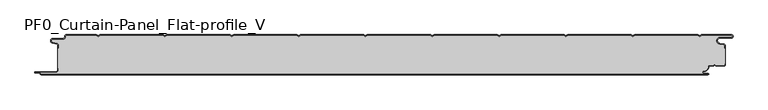
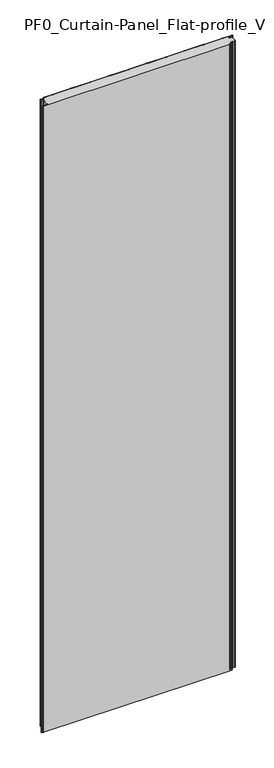
"""IFC4 building model written with IfcOpenShell, lengths in millimetres: plate geometry, PF0_Curtain-Panel_Flat-profile_V."""

import ifcopenshell
import ifcopenshell.guid

model = None  # the IFC model being written
_history = None  # IfcOwnerHistory: only IFC2X3 demands one
_inside = {}  # id of a spatial element -> (the spatial element, [elements in it])
_under = {}  # id of a project, library or spatial element -> (it, [spatial elements below it])
_declared = {}  # id of a project -> (the project, [libraries it declares])
_typed = {}  # id of a type object -> (the type object, [elements of that type])
_made_of = {}  # id of a material, layer set ... -> (it, [elements and type objects made of it])


def new_model(schema):
    """Start an empty IFC model of exactly this schema.

    Asked for "IFC4X3", IfcOpenShell would pick the latest addendum, in which some entities
    have other attributes; the version numbers below select the first issue.
    IFC2X3 requires an IfcOwnerHistory on every rooted entity: one is made here for all.
    """
    global model, _history
    if schema == "IFC4X3":
        model = ifcopenshell.file(schema_version=(4, 3, 0, 0))
    else:
        model = ifcopenshell.file(schema=schema)
    _inside.clear()
    _under.clear()
    _declared.clear()
    _typed.clear()
    _made_of.clear()
    _history = None
    if model.schema == "IFC2X3":
        org = make("IfcOrganization", Name="unknown")
        user = make(
            "IfcPersonAndOrganization",
            ThePerson=make("IfcPerson", FamilyName="unknown"),
            TheOrganization=org,
        )
        app = make(
            "IfcApplication",
            ApplicationDeveloper=org,
            Version="unknown",
            ApplicationFullName="unknown",
            ApplicationIdentifier="unknown",
        )
        _history = make(
            "IfcOwnerHistory",
            OwningUser=user,
            OwningApplication=app,
            ChangeAction="ADDED",
            CreationDate=0,
        )
    return model


def make(cls, **values):
    """One entity of the class cls with the attributes given. An attribute that is None is left unset."""
    return model.create_entity(
        cls, **{name: value for name, value in values.items() if value is not None}
    )


def rooted(cls, **values):
    """An entity with a GlobalId (a new one), such as an element, a storey or a relation."""
    return make(cls, GlobalId=ifcopenshell.guid.new(), OwnerHistory=_history, **values)


def si_unit(unit_type, name, prefix=None):
    """IfcSIUnit, for example si_unit("LENGTHUNIT", "METRE", prefix="MILLI")."""
    return make("IfcSIUnit", UnitType=unit_type, Prefix=prefix, Name=name)


def assignment(units):
    """IfcUnitAssignment: the units of a project."""
    return None if units is None else make("IfcUnitAssignment", Units=units)


def point(xyz):
    """IfcCartesianPoint."""
    return None if xyz is None else make("IfcCartesianPoint", Coordinates=xyz)


def direction(xyz):
    """IfcDirection."""
    return None if xyz is None else make("IfcDirection", DirectionRatios=xyz)


def frame(location, z_axis=None, x_axis=None):
    """IfcAxis2Placement3D, a coordinate frame: its origin and axes. An axis left out is left unset."""
    return make(
        "IfcAxis2Placement3D",
        Location=point(location),
        Axis=direction(z_axis),
        RefDirection=direction(x_axis),
    )


def frame_2d(location, x_axis=None):
    """IfcAxis2Placement2D, a coordinate frame in the plane: its origin and x axis."""
    return make(
        "IfcAxis2Placement2D", Location=point(location), RefDirection=direction(x_axis)
    )


def origin():
    """The frame at (0, 0, 0) with its axes left unset."""
    return frame((0.0, 0.0, 0.0))


def origin_with_axes():
    """The frame at (0, 0, 0) with the z axis (0, 0, 1) and the x axis (1, 0, 0) written out."""
    return frame((0.0, 0.0, 0.0), z_axis=(0.0, 0.0, 1.0), x_axis=(1.0, 0.0, 0.0))


def place(relative_to, where):
    """IfcLocalPlacement: puts the frame where relative to a parent placement (None: the world)."""
    return make(
        "IfcLocalPlacement", PlacementRelTo=relative_to, RelativePlacement=where
    )


def context(
    kind, dimensions, precision=None, world=None, true_north=None, identifier=None
):
    """IfcGeometricRepresentationContext, for example the 3D "Model" context."""
    return make(
        "IfcGeometricRepresentationContext",
        ContextIdentifier=identifier,
        ContextType=kind,
        CoordinateSpaceDimension=dimensions,
        Precision=precision,
        WorldCoordinateSystem=world,
        TrueNorth=true_north,
    )


def project(units=None, contexts=None):
    """IfcProject with its units and contexts."""
    return rooted(
        "IfcProject",
        Name="project",
        RepresentationContexts=contexts,
        UnitsInContext=assignment(units),
    )


def spatial(cls, under=None, at=None, **own):
    """A site, building, storey or space (cls), placed at a placement, below another one or the project."""
    s = rooted(cls, ObjectPlacement=at, **own)
    if under is not None:
        _under.setdefault(under.id(), (under, []))[1].append(s)
    return s


def polyline(points):
    """IfcPolyline through the points."""
    return make("IfcPolyline", Points=[point(p) for p in points])


def circle_curve(where, radius):
    """IfcCircle in the frame where."""
    return make("IfcCircle", Position=where, Radius=radius)


def trimmed(basis, trim1, trim2, sense, master):
    """IfcTrimmedCurve: the piece of a basis curve between two trims."""
    return make(
        "IfcTrimmedCurve",
        BasisCurve=basis,
        Trim1=trim1,
        Trim2=trim2,
        SenseAgreement=sense,
        MasterRepresentation=master,
    )


def segment(curve, same_sense, transition):
    """IfcCompositeCurveSegment."""
    return make(
        "IfcCompositeCurveSegment",
        Transition=transition,
        SameSense=same_sense,
        ParentCurve=curve,
    )


def composite_curve(segments, self_intersect=None):
    """IfcCompositeCurve: segments joined end to end."""
    return make("IfcCompositeCurve", Segments=segments, SelfIntersect=self_intersect)


def outline(outer, holes=None, kind="AREA"):
    """IfcArbitraryClosedProfileDef: a profile drawn as a closed curve; with holes, ...WithVoids."""
    if holes is None:
        return make("IfcArbitraryClosedProfileDef", ProfileType=kind, OuterCurve=outer)
    return make(
        "IfcArbitraryProfileDefWithVoids",
        ProfileType=kind,
        OuterCurve=outer,
        InnerCurves=holes,
    )


def extrude(swept, where, along, depth):
    """IfcExtrudedAreaSolid: the profile swept, set in the frame where, extruded along a direction by depth."""
    return make(
        "IfcExtrudedAreaSolid",
        SweptArea=swept,
        Position=where,
        ExtrudedDirection=direction(along),
        Depth=depth,
    )


def shape(context_of_items, identifier, shape_type, items):
    """IfcShapeRepresentation: the items that make up one representation, for example the "Body"."""
    return make(
        "IfcShapeRepresentation",
        ContextOfItems=context_of_items,
        RepresentationIdentifier=identifier,
        RepresentationType=shape_type,
        Items=items,
    )


def source(mapping_origin, context_of_items, identifier, shape_type, items):
    """IfcRepresentationMap: a shape defined once, which mapped items show again and again."""
    return make(
        "IfcRepresentationMap",
        MappingOrigin=mapping_origin,
        MappedRepresentation=shape(context_of_items, identifier, shape_type, items),
    )


def transform(
    local_origin,
    x_axis=None,
    y_axis=None,
    z_axis=None,
    scale=None,
    scale2=None,
    scale3=None,
    uniform=True,
):
    """IfcCartesianTransformationOperator3D, or its non-uniform kind. x_axis, y_axis, z_axis: its Axis1, 2, 3."""
    if uniform:
        return make(
            "IfcCartesianTransformationOperator3D",
            Axis1=direction(x_axis),
            Axis2=direction(y_axis),
            LocalOrigin=point(local_origin),
            Scale=scale,
            Axis3=direction(z_axis),
        )
    return make(
        "IfcCartesianTransformationOperator3DnonUniform",
        Axis1=direction(x_axis),
        Axis2=direction(y_axis),
        LocalOrigin=point(local_origin),
        Scale=scale,
        Axis3=direction(z_axis),
        Scale2=scale2,
        Scale3=scale3,
    )


def mapped(mapping_source, mapping_target):
    """IfcMappedItem: shows the shape of a source again, moved by a transform."""
    return make(
        "IfcMappedItem", MappingSource=mapping_source, MappingTarget=mapping_target
    )


def made_of(thing, what):
    """Note that an element or type object is made of a material, layer set ...; save() writes the relation."""
    if what is not None:
        _made_of.setdefault(what.id(), (what, []))[1].append(thing)
    return thing


def element(
    cls,
    number,
    at=None,
    inside=None,
    cuts=None,
    type_object=None,
    material=None,
    context=None,
    identifier="Body",
    shape_type=None,
    held_by="IfcProductDefinitionShape",
    body=None,
    shapes=None,
    **own,
):
    """One element of the class cls, such as IfcWall. Its Tag is "e" and its number.

    at: its placement. inside: the storey or other place that contains it. cuts: it is an
    opening in that element (IfcRelVoidsElement). A single representation is given by context,
    identifier, shape_type and body (its items); several are given by shapes. held_by: the class
    of the entity that holds the representations. save() writes the other relations.
    """
    e = rooted(cls, Tag="e%d" % number, ObjectPlacement=at, **own)
    if body is not None:
        shapes = [shape(context, identifier, shape_type, body)]
    if shapes is not None:
        e.Representation = make(held_by, Representations=shapes)
    if inside is not None:
        _inside.setdefault(inside.id(), (inside, []))[1].append(e)
    if cuts is not None:
        rooted(
            "IfcRelVoidsElement", RelatingBuildingElement=cuts, RelatedOpeningElement=e
        )
    if type_object is not None:
        _typed.setdefault(type_object.id(), (type_object, []))[1].append(e)
    return made_of(e, material)


def aggregate(whole, parts):
    """IfcRelAggregates: a whole, such as a stair, and the parts it consists of."""
    return rooted("IfcRelAggregates", RelatingObject=whole, RelatedObjects=parts)


def save(model, path):
    """Write the relations noted so far, then the file.

    IfcRelAggregates (storeys below a building ...), IfcRelContainedInSpatialStructure (elements
    in a storey), IfcRelDefinesByType, IfcRelAssociatesMaterial and IfcRelDeclares: one each for
    every whole, place, type object, material and project.
    """
    for whole, parts in _under.values():
        aggregate(whole, parts)
    for where, things in _inside.values():
        rooted(
            "IfcRelContainedInSpatialStructure",
            RelatedElements=things,
            RelatingStructure=where,
        )
    for kind, things in _typed.values():
        rooted("IfcRelDefinesByType", RelatedObjects=things, RelatingType=kind)
    for what, things in _made_of.values():
        rooted("IfcRelAssociatesMaterial", RelatedObjects=things, RelatingMaterial=what)
    for by, libraries in _declared.values():
        rooted("IfcRelDeclares", RelatingContext=by, RelatedDefinitions=libraries)
    model.write(path)


def plane_surface(at):
    """IfcPlane: the flat surface through the origin of the frame at, square to its z axis."""
    return make("IfcPlane", Position=at)


def cylinder_surface(at, radius):
    """IfcCylindricalSurface: all points at the distance radius from the z axis of the frame at."""
    return make("IfcCylindricalSurface", Position=at, Radius=radius)


def revolved_surface(curve, axis_point, axis_direction):
    """IfcSurfaceOfRevolution: the curve turned about the line through axis_point along axis_direction."""
    return make(
        "IfcSurfaceOfRevolution",
        SweptCurve=make("IfcArbitraryOpenProfileDef", ProfileType="CURVE", Curve=curve),
        AxisPosition=make("IfcAxis1Placement", Location=point(axis_point), Axis=direction(axis_direction)),
    )


def advanced_brep(points, edges, surfaces, faces):
    """IfcAdvancedBrep: a solid bounded by faces that lie on surfaces and meet in shared edges.

    An edge is (start, end): straight between two places in points (the first is 0);
    or (start, end, curve); or (start, end, curve, False) where it runs against its curve.
    A face is (place in surfaces, loops), or (place, loops, False) where it looks against
    its surface's normal. A loop lists edges by number (the first is 1), with a minus sign
    where the edge is run from its end to its start. The first loop is the outer one.
    """
    corners = [point(p) for p in points]
    vertices = [make("IfcVertexPoint", VertexGeometry=c) for c in corners]
    made = []
    for start, end, *more in edges:
        made.append(
            make(
                "IfcEdgeCurve",
                EdgeStart=vertices[start],
                EdgeEnd=vertices[end],
                EdgeGeometry=more[0] if more else make("IfcPolyline", Points=[corners[start], corners[end]]),
                SameSense=more[1] if len(more) > 1 else True,
            )
        )
    hull = []
    for where, loops, *sense in faces:
        bounds = []
        for j, loop in enumerate(loops):
            ring = [make("IfcOrientedEdge", EdgeElement=made[abs(k) - 1], Orientation=k > 0) for k in loop]
            bounds.append(
                make(
                    "IfcFaceOuterBound" if j == 0 else "IfcFaceBound",
                    Bound=make("IfcEdgeLoop", EdgeList=ring),
                    Orientation=True,
                )
            )
        hull.append(make("IfcAdvancedFace", Bounds=bounds, FaceSurface=surfaces[where], SameSense=sense[0] if sense else True))
    return make("IfcAdvancedBrep", Outer=make("IfcClosedShell", CfsFaces=hull))


def pf0_curtain_panel_flat_profile_v_7ea832ad(model_context):
    return source(origin(), model_context, "Body", "SolidModel", [
        advanced_brep(
        [(-500.0, -15.878557, 3500.0), (-500.0, -20.0, 3500.0), (-499.2, -20.0, 3500.0), (-499.2, -15.878557, 3500.0), (-501.370137, -13.1503208, 3500.0), (-507.529863, -11.728236, 3500.0), (-506.9, -6.2, 3500.0), (-491.4, -6.2, 3500.0), (-488.6, -3.4, 3500.0), (-488.6, -2.0, 3500.0), (-487.4, -0.8, 3500.0), (-442.3143588, -0.8, 3500.0), (-439.4, -2.482606, 3500.0), (-436.4856412, -0.8, 3500.0), (-342.3143588, -0.8, 3500.0), (-339.4, -2.482606, 3500.0), (-336.4856412, -0.8, 3500.0), (-242.3143588, -0.8, 3500.0), (-239.4, -2.482606, 3500.0), (-236.4856412, -0.8, 3500.0), (-142.3143588, -0.8, 3500.0), (-139.4, -2.482606, 3500.0), (-136.4856412, -0.8, 3500.0), (-42.3143588, -0.8, 3500.0), (-39.4, -2.482606, 3500.0), (-36.4856412, -0.8, 3500.0), (57.6856412, -0.8, 3500.0), (60.6, -2.482606, 3500.0), (63.5143588, -0.8, 3500.0), (157.6856412, -0.8, 3500.0), (160.6, -2.482606, 3500.0), (163.5143588, -0.8, 3500.0), (257.6856412, -0.8, 3500.0), (260.6, -2.482606, 3500.0), (263.5143588, -0.8, 3500.0), (357.6856412, -0.8, 3500.0), (360.6, -2.482606, 3500.0), (363.5143588, -0.8, 3500.0), (457.6856412, -0.8, 3500.0), (460.6, -2.482606, 3500.0), (463.5143588, -0.8, 3500.0), (508.1, -0.8, 3500.0), (508.1, -4.2, 3500.0), (491.1, -4.2, 3500.0), (490.2664884, -13.7270771, 3500.0), (496.7125669, -14.8636953, 3500.0), (498.2, -16.6363492, 3500.0), (498.2, -20.0, 3500.0), (499.0, -20.0, 3500.0), (499.0, -16.6363492, 3500.0), (496.8514855, -14.0758491, 3500.0), (490.405407, -12.939231, 3500.0), (491.1, -5.0, 3500.0), (508.1, -5.0, 3500.0), (510.6, -2.5, 3500.0), (508.1, 0.0, 3500.0), (463.2999995, 0.0, 3500.0), (460.6, -1.5588455, 3500.0), (457.9000005, 0.0, 3500.0), (363.2999995, 0.0, 3500.0), (360.6, -1.5588455, 3500.0), (357.9000005, 0.0, 3500.0), (263.2999995, 0.0, 3500.0), (260.6, -1.5588455, 3500.0), (257.9000005, 0.0, 3500.0), (163.2999995, 0.0, 3500.0), (160.6, -1.5588455, 3500.0), (157.9000005, 0.0, 3500.0), (63.2999995, 0.0, 3500.0), (60.6, -1.5588455, 3500.0), (57.9000005, 0.0, 3500.0), (-36.7000005, 0.0, 3500.0), (-39.4, -1.5588455, 3500.0), (-42.0999995, 0.0, 3500.0), (-136.7000005, 0.0, 3500.0), (-139.4, -1.5588455, 3500.0), (-142.0999995, 0.0, 3500.0), (-236.7000005, 0.0, 3500.0), (-239.4, -1.5588455, 3500.0), (-242.0999995, 0.0, 3500.0), (-336.7000005, 0.0, 3500.0), (-339.4, -1.5588455, 3500.0), (-342.0999995, 0.0, 3500.0), (-436.7000005, 0.0, 3500.0), (-439.4, -1.5588455, 3500.0), (-442.0999995, 0.0, 3500.0), (-487.4, 0.0, 3500.0), (-489.4, -2.0, 3500.0), (-489.4, -3.4, 3500.0), (-491.4, -5.4, 3500.0), (-506.9, -5.4, 3500.0), (-507.7098239, -12.5077322, 3500.0), (-501.5500979, -13.929817, 3500.0), (-500.0, -15.878557, 0.0), (-501.5500978, -13.9298169, 0.0), (-507.7098239, -12.507732, 0.0), (-506.9, -5.4, 0.0), (-491.4, -5.4, 0.0), (-489.4, -3.4, 0.0), (-489.4, -2.0, 0.0), (-487.4, 0.0, 0.0), (-442.0999995, 0.0, 0.0), (-439.4, -1.5588455, 0.0), (-436.7000005, 0.0, 0.0), (-342.0999995, 0.0, 0.0), (-339.4, -1.5588455, 0.0), (-336.7000005, 0.0, 0.0), (-242.0999995, 0.0, 0.0), (-239.4, -1.5588455, 0.0), (-236.7000005, 0.0, 0.0), (-142.0999995, 0.0, 0.0), (-139.4, -1.5588455, 0.0), (-136.7000005, 0.0, 0.0), (-42.0999995, 0.0, 0.0), (-39.4, -1.5588455, 0.0), (-36.7000005, 0.0, 0.0), (57.9000005, 0.0, 0.0), (60.6, -1.5588455, 0.0), (63.2999995, 0.0, 0.0), (157.9000005, 0.0, 0.0), (160.6, -1.5588455, 0.0), (163.2999995, 0.0, 0.0), (257.9000005, 0.0, 0.0), (260.6, -1.5588455, 0.0), (263.2999995, 0.0, 0.0), (357.9000005, 0.0, 0.0), (360.6, -1.5588455, 0.0), (363.2999995, 0.0, 0.0), (457.9000005, 0.0, 0.0), (460.6, -1.5588455, 0.0), (463.2999995, 0.0, 0.0), (508.1, 0.0, 0.0), (510.6, -2.5, 0.0), (508.1, -5.0, 0.0), (491.1, -5.0, 0.0), (490.405407, -12.939231, 0.0), (496.8514855, -14.0758491, 0.0), (499.0, -16.6363492, 0.0), (499.0, -20.0, 0.0), (498.2, -20.0, 0.0), (498.2, -16.6363492, 0.0), (496.7125669, -14.8636953, 0.0), (490.2664884, -13.7270772, 0.0), (491.1, -4.2, 0.0), (508.1, -4.2, 0.0), (508.1, -0.8, 0.0), (463.5143588, -0.8, 0.0), (460.6, -2.482606, 0.0), (457.6856412, -0.8, 0.0), (363.5143588, -0.8, 0.0), (360.6, -2.482606, 0.0), (357.6856412, -0.8, 0.0), (263.5143588, -0.8, 0.0), (260.6, -2.482606, 0.0), (257.6856412, -0.8, 0.0), (163.5143588, -0.8, 0.0), (160.6, -2.482606, 0.0), (157.6856412, -0.8, 0.0), (63.5143588, -0.8, 0.0), (60.6, -2.482606, 0.0), (57.6856412, -0.8, 0.0), (-36.4856412, -0.8, 0.0), (-39.4, -2.482606, 0.0), (-42.3143588, -0.8, 0.0), (-136.4856412, -0.8, 0.0), (-139.4, -2.482606, 0.0), (-142.3143588, -0.8, 0.0), (-236.4856412, -0.8, 0.0), (-239.4, -2.482606, 0.0), (-242.3143588, -0.8, 0.0), (-336.4856412, -0.8, 0.0), (-339.4, -2.482606, 0.0), (-342.3143588, -0.8, 0.0), (-436.4856412, -0.8, 0.0), (-439.4, -2.482606, 0.0), (-442.3143588, -0.8, 0.0), (-487.4, -0.8, 0.0), (-488.6, -2.0, 0.0), (-488.6, -3.4, 0.0), (-491.4, -6.2, 0.0), (-506.9, -6.2, 0.0), (-507.529863, -11.7282362, 0.0), (-501.370137, -13.150321, 0.0), (-499.2, -15.878557, 0.0), (-499.2, -20.0, 0.0), (-500.0, -20.0, 0.0)],
        [
            (0, 1),
            (1, 2),
            (2, 3),
            (3, 4, circle_curve(frame((-502.0, -15.878557, 3500.0), z_axis=(0.0, 0.0, 1.0), x_axis=(1.0, 0.0, 0.0)), 2.8)),
            (4, 5),
            (5, 6, circle_curve(frame((-506.9, -9.0, 3500.0), z_axis=(0.0, 0.0, -1.0), x_axis=(1.0, 0.0, 0.0)), 2.8)),
            (6, 7),
            (7, 8, circle_curve(frame((-491.4, -3.4, 3500.0), z_axis=(0.0, 0.0, 1.0), x_axis=(1.0, 0.0, 0.0)), 2.8)),
            (8, 9),
            (9, 10, circle_curve(frame((-487.4, -2.0, 3500.0), z_axis=(0.0, 0.0, -1.0), x_axis=(1.0, 0.0, 0.0)), 1.2)),
            (10, 11),
            (11, 12),
            (12, 13),
            (13, 14),
            (14, 15),
            (15, 16),
            (16, 17),
            (17, 18),
            (18, 19),
            (19, 20),
            (20, 21),
            (21, 22),
            (22, 23),
            (23, 24),
            (24, 25),
            (25, 26),
            (26, 27),
            (27, 28),
            (28, 29),
            (29, 30),
            (30, 31),
            (31, 32),
            (32, 33),
            (33, 34),
            (34, 35),
            (35, 36),
            (36, 37),
            (37, 38),
            (38, 39),
            (39, 40),
            (40, 41),
            (41, 42, circle_curve(frame((508.1, -2.5, 3500.0), z_axis=(0.0, 0.0, -1.0), x_axis=(1.0, 0.0, 0.0)), 1.7)),
            (42, 43),
            (43, 44, circle_curve(frame((491.1, -9.0, 3500.0), z_axis=(0.0, 0.0, 1.0), x_axis=(1.0, 0.0, 0.0)), 4.8)),
            (44, 45),
            (45, 46, circle_curve(frame((496.4, -16.6363492, 3500.0), z_axis=(0.0, 0.0, -1.0), x_axis=(1.0, 0.0, 0.0)), 1.8)),
            (46, 47),
            (47, 48),
            (48, 49),
            (49, 50, circle_curve(frame((496.4, -16.6363492, 3500.0), z_axis=(0.0, 0.0, 1.0), x_axis=(1.0, 0.0, 0.0)), 2.6)),
            (50, 51),
            (51, 52, circle_curve(frame((491.1, -9.0, 3500.0), z_axis=(0.0, 0.0, -1.0), x_axis=(1.0, 0.0, 0.0)), 4.0)),
            (52, 53),
            (53, 54, circle_curve(frame((508.1, -2.5, 3500.0), z_axis=(0.0, 0.0, 1.0), x_axis=(1.0, 0.0, 0.0)), 2.5)),
            (54, 55, circle_curve(frame((508.1, -2.5, 3500.0), z_axis=(0.0, 0.0, 1.0), x_axis=(1.0, 0.0, 0.0)), 2.5)),
            (55, 56),
            (56, 57),
            (57, 58),
            (58, 59),
            (59, 60),
            (60, 61),
            (61, 62),
            (62, 63),
            (63, 64),
            (64, 65),
            (65, 66),
            (66, 67),
            (67, 68),
            (68, 69),
            (69, 70),
            (70, 71),
            (71, 72),
            (72, 73),
            (73, 74),
            (74, 75),
            (75, 76),
            (76, 77),
            (77, 78),
            (78, 79),
            (79, 80),
            (80, 81),
            (81, 82),
            (82, 83),
            (83, 84),
            (84, 85),
            (85, 86),
            (86, 87, circle_curve(frame((-487.4, -2.0, 3500.0), z_axis=(0.0, 0.0, 1.0), x_axis=(1.0, 0.0, 0.0)), 2.0)),
            (87, 88),
            (88, 89, circle_curve(frame((-491.4, -3.4, 3500.0), z_axis=(0.0, 0.0, -1.0), x_axis=(1.0, 0.0, 0.0)), 2.0)),
            (89, 90),
            (90, 91, circle_curve(frame((-506.9, -9.0, 3500.0), z_axis=(0.0, 0.0, 1.0), x_axis=(1.0, 0.0, 0.0)), 3.6)),
            (91, 92),
            (92, 0, circle_curve(frame((-502.0, -15.878557, 3500.0), z_axis=(0.0, 0.0, -1.0), x_axis=(1.0, 0.0, 0.0)), 2.0)),
            (93, 94, circle_curve(frame((-502.0, -15.878557, 0.0), z_axis=(0.0, 0.0, 1.0), x_axis=(1.0, 0.0, 0.0)), 2.0)),
            (94, 95),
            (95, 96, circle_curve(frame((-506.9, -9.0, 0.0), z_axis=(0.0, 0.0, -1.0), x_axis=(1.0, 0.0, 0.0)), 3.6)),
            (96, 97),
            (97, 98, circle_curve(frame((-491.4, -3.4, 0.0), z_axis=(0.0, 0.0, 1.0), x_axis=(1.0, 0.0, 0.0)), 2.0)),
            (98, 99),
            (99, 100, circle_curve(frame((-487.4, -2.0, 0.0), z_axis=(0.0, 0.0, -1.0), x_axis=(1.0, 0.0, 0.0)), 2.0)),
            (100, 101),
            (101, 102),
            (102, 103),
            (103, 104),
            (104, 105),
            (105, 106),
            (106, 107),
            (107, 108),
            (108, 109),
            (109, 110),
            (110, 111),
            (111, 112),
            (112, 113),
            (113, 114),
            (114, 115),
            (115, 116),
            (116, 117),
            (117, 118),
            (118, 119),
            (119, 120),
            (120, 121),
            (121, 122),
            (122, 123),
            (123, 124),
            (124, 125),
            (125, 126),
            (126, 127),
            (127, 128),
            (128, 129),
            (129, 130),
            (130, 131),
            (131, 132, circle_curve(frame((508.1, -2.5, 0.0), z_axis=(0.0, 0.0, -1.0), x_axis=(1.0, 0.0, 0.0)), 2.5)),
            (132, 133, circle_curve(frame((508.1, -2.5, 0.0), z_axis=(0.0, 0.0, -1.0), x_axis=(1.0, 0.0, 0.0)), 2.5)),
            (133, 134),
            (134, 135, circle_curve(frame((491.1, -9.0, 0.0), z_axis=(0.0, 0.0, 1.0), x_axis=(1.0, 0.0, 0.0)), 4.0)),
            (135, 136),
            (136, 137, circle_curve(frame((496.4, -16.6363492, 0.0), z_axis=(0.0, 0.0, -1.0), x_axis=(1.0, 0.0, 0.0)), 2.6)),
            (137, 138),
            (138, 139),
            (139, 140),
            (140, 141, circle_curve(frame((496.4, -16.6363492, 0.0), z_axis=(0.0, 0.0, 1.0), x_axis=(1.0, 0.0, 0.0)), 1.8)),
            (141, 142),
            (142, 143, circle_curve(frame((491.1, -9.0, 0.0), z_axis=(0.0, 0.0, -1.0), x_axis=(1.0, 0.0, 0.0)), 4.8)),
            (143, 144),
            (144, 145, circle_curve(frame((508.1, -2.5, 0.0), z_axis=(0.0, 0.0, 1.0), x_axis=(1.0, 0.0, 0.0)), 1.7)),
            (145, 146),
            (146, 147),
            (147, 148),
            (148, 149),
            (149, 150),
            (150, 151),
            (151, 152),
            (152, 153),
            (153, 154),
            (154, 155),
            (155, 156),
            (156, 157),
            (157, 158),
            (158, 159),
            (159, 160),
            (160, 161),
            (161, 162),
            (162, 163),
            (163, 164),
            (164, 165),
            (165, 166),
            (166, 167),
            (167, 168),
            (168, 169),
            (169, 170),
            (170, 171),
            (171, 172),
            (172, 173),
            (173, 174),
            (174, 175),
            (175, 176),
            (176, 177, circle_curve(frame((-487.4, -2.0, 0.0), z_axis=(0.0, 0.0, 1.0), x_axis=(1.0, 0.0, 0.0)), 1.2)),
            (177, 178),
            (178, 179, circle_curve(frame((-491.4, -3.4, 0.0), z_axis=(0.0, 0.0, -1.0), x_axis=(1.0, 0.0, 0.0)), 2.8)),
            (179, 180),
            (180, 181, circle_curve(frame((-506.9, -9.0, 0.0), z_axis=(0.0, 0.0, 1.0), x_axis=(1.0, 0.0, 0.0)), 2.8)),
            (181, 182),
            (182, 183, circle_curve(frame((-502.0, -15.878557, 0.0), z_axis=(0.0, 0.0, -1.0), x_axis=(1.0, 0.0, 0.0)), 2.8)),
            (183, 184),
            (184, 185),
            (185, 93),
            (0, 93),
            (185, 1),
            (184, 2),
            (183, 3),
            (182, 4),
            (181, 5),
            (180, 6),
            (179, 7),
            (178, 8),
            (177, 9),
            (176, 10),
            (175, 11),
            (174, 12),
            (173, 13),
            (172, 14),
            (171, 15),
            (170, 16),
            (169, 17),
            (168, 18),
            (167, 19),
            (166, 20),
            (165, 21),
            (164, 22),
            (163, 23),
            (162, 24),
            (161, 25),
            (160, 26),
            (159, 27),
            (158, 28),
            (157, 29),
            (156, 30),
            (155, 31),
            (154, 32),
            (153, 33),
            (152, 34),
            (151, 35),
            (150, 36),
            (149, 37),
            (148, 38),
            (147, 39),
            (146, 40),
            (145, 41),
            (144, 42),
            (143, 43),
            (142, 44),
            (141, 45),
            (140, 46),
            (139, 47),
            (138, 48),
            (137, 49),
            (136, 50),
            (135, 51),
            (134, 52),
            (133, 53),
            (131, 55),
            (56, 130),
            (129, 57),
            (128, 58),
            (127, 59),
            (126, 60),
            (125, 61),
            (124, 62),
            (123, 63),
            (122, 64),
            (121, 65),
            (120, 66),
            (119, 67),
            (118, 68),
            (117, 69),
            (116, 70),
            (115, 71),
            (114, 72),
            (113, 73),
            (112, 74),
            (111, 75),
            (110, 76),
            (109, 77),
            (108, 78),
            (107, 79),
            (106, 80),
            (105, 81),
            (104, 82),
            (103, 83),
            (102, 84),
            (101, 85),
            (100, 86),
            (99, 87),
            (98, 88),
            (97, 89),
            (96, 90),
            (95, 91),
            (94, 92),
        ],
        [
            plane_surface(frame((-500.0, 0.0, 3500.0), z_axis=(0.0, 0.0, 1.0), x_axis=(0.0, 1.0, 0.0))),
            plane_surface(frame((-500.0, 0.0, 0.0), z_axis=(0.0, 0.0, -1.0), x_axis=(0.0, 1.0, 0.0))),
            plane_surface(frame((-500.0, -15.878557, 3500.0), z_axis=(-1.0, 0.0, 0.0), x_axis=(0.0, 0.0, -1.0))),
            plane_surface(frame((-500.0, -20.0, 3500.0), z_axis=(0.0, -1.0, 0.0), x_axis=(0.0, 0.0, -1.0))),
            plane_surface(frame((-499.2, -20.0, 3500.0), z_axis=(1.0, 0.0, 0.0), x_axis=(0.0, 0.0, -1.0))),
            cylinder_surface(frame((-502.0, -15.878557, 3500.0), z_axis=(0.0, 0.0, 1.0), x_axis=(1.0, 0.0, 0.0)), 2.8),
            plane_surface(frame((-501.370137, -13.150321, 3500.0), z_axis=(0.22495108446242484, 0.9743700578318174, 0.0), x_axis=(0.0, 0.0, -1.0))),
            revolved_surface(polyline([(-504.09999999999997, -9.0, 0.0), (-504.09999999999997, -9.0, 3500.0)]), (-506.9, -9.0, 3500.0), (0.0, 0.0, -1.0)),
            plane_surface(frame((-506.9, -6.2, 3500.0), z_axis=(0.0, -1.0, 0.0), x_axis=(0.0, 0.0, -1.0))),
            cylinder_surface(frame((-491.4, -3.4, 3500.0), z_axis=(0.0, 0.0, 1.0), x_axis=(1.0, 0.0, 0.0)), 2.8),
            plane_surface(frame((-488.6, -3.4, 3500.0), z_axis=(1.0, 0.0, 0.0), x_axis=(0.0, 0.0, -1.0))),
            revolved_surface(polyline([(-486.2, -2.0, 0.0), (-486.2, -2.0, 3500.0)]), (-487.4, -2.0, 3500.0), (0.0, 0.0, -1.0)),
            plane_surface(frame((-487.4, -0.8, 3500.0), z_axis=(0.0, -1.0, 0.0), x_axis=(0.0, 0.0, -1.0))),
            plane_surface(frame((-442.3143588, -0.8, 3500.0), z_axis=(-0.5000000299313342, -0.8660253865035741, 0.0), x_axis=(0.0, 0.0, -1.0))),
            plane_surface(frame((-439.4, -2.482606, 3500.0), z_axis=(0.5000000299313233, -0.8660253865035805, 0.0), x_axis=(0.0, 0.0, -1.0))),
            plane_surface(frame((-436.4856412, -0.8, 3500.0), z_axis=(0.0, -1.0, 0.0), x_axis=(0.0, 0.0, -1.0))),
            plane_surface(frame((-342.3143588, -0.8, 3500.0), z_axis=(-0.5000000299313346, -0.8660253865035739, 0.0), x_axis=(0.0, 0.0, -1.0))),
            plane_surface(frame((-339.4, -2.482606, 3500.0), z_axis=(0.5000000299313251, -0.8660253865035794, 0.0), x_axis=(0.0, 0.0, -1.0))),
            plane_surface(frame((-336.4856412, -0.8, 3500.0), z_axis=(0.0, -1.0, 0.0), x_axis=(0.0, 0.0, -1.0))),
            plane_surface(frame((-242.3143588, -0.8, 3500.0), z_axis=(-0.5000000299313346, -0.866025386503574, 0.0), x_axis=(0.0, 0.0, -1.0))),
            plane_surface(frame((-239.4, -2.482606, 3500.0), z_axis=(0.5000000299313251, -0.8660253865035794, 0.0), x_axis=(0.0, 0.0, -1.0))),
            plane_surface(frame((-236.4856412, -0.8, 3500.0), z_axis=(0.0, -1.0, 0.0), x_axis=(0.0, 0.0, -1.0))),
            plane_surface(frame((-142.3143588, -0.8, 3500.0), z_axis=(-0.5000000299313349, -0.8660253865035739, 0.0), x_axis=(0.0, 0.0, -1.0))),
            plane_surface(frame((-139.4, -2.482606, 3500.0), z_axis=(0.5000000299313233, -0.8660253865035805, 0.0), x_axis=(0.0, 0.0, -1.0))),
            plane_surface(frame((-136.4856412, -0.8, 3500.0), z_axis=(0.0, -1.0, 0.0), x_axis=(0.0, 0.0, -1.0))),
            plane_surface(frame((-42.3143588, -0.8, 3500.0), z_axis=(-0.5000000299313346, -0.866025386503574, 0.0), x_axis=(0.0, 0.0, -1.0))),
            plane_surface(frame((-39.4, -2.482606, 3500.0), z_axis=(0.5000000299313239, -0.8660253865035802, 0.0), x_axis=(0.0, 0.0, -1.0))),
            plane_surface(frame((-36.4856412, -0.8, 3500.0), z_axis=(0.0, -1.0, 0.0), x_axis=(0.0, 0.0, -1.0))),
            plane_surface(frame((57.6856412, -0.8, 3500.0), z_axis=(-0.5000000299313347, -0.8660253865035739, 0.0), x_axis=(0.0, 0.0, -1.0))),
            plane_surface(frame((60.6, -2.482606, 3500.0), z_axis=(0.5000000299313232, -0.8660253865035805, 0.0), x_axis=(0.0, 0.0, -1.0))),
            plane_surface(frame((63.5143588, -0.8, 3500.0), z_axis=(0.0, -1.0, 0.0), x_axis=(0.0, 0.0, -1.0))),
            plane_surface(frame((157.6856412, -0.8, 3500.0), z_axis=(-0.5000000299313346, -0.866025386503574, 0.0), x_axis=(0.0, 0.0, -1.0))),
            plane_surface(frame((160.6, -2.482606, 3500.0), z_axis=(0.5000000299313262, -0.8660253865035787, 0.0), x_axis=(0.0, 0.0, -1.0))),
            plane_surface(frame((163.5143588, -0.8, 3500.0), z_axis=(0.0, -1.0, 0.0), x_axis=(0.0, 0.0, -1.0))),
            plane_surface(frame((257.6856412, -0.8, 3500.0), z_axis=(-0.5000000299313346, -0.8660253865035739, 0.0), x_axis=(0.0, 0.0, -1.0))),
            plane_surface(frame((260.6, -2.482606, 3500.0), z_axis=(0.5000000299313263, -0.8660253865035787, 0.0), x_axis=(0.0, 0.0, -1.0))),
            plane_surface(frame((263.5143588, -0.8, 3500.0), z_axis=(0.0, -1.0, 0.0), x_axis=(0.0, 0.0, -1.0))),
            plane_surface(frame((357.6856412, -0.8, 3500.0), z_axis=(-0.5000000299313346, -0.8660253865035739, 0.0), x_axis=(0.0, 0.0, -1.0))),
            plane_surface(frame((360.6, -2.482606, 3500.0), z_axis=(0.5000000299313255, -0.8660253865035792, 0.0), x_axis=(0.0, 0.0, -1.0))),
            plane_surface(frame((363.5143588, -0.8, 3500.0), z_axis=(0.0, -1.0, 0.0), x_axis=(0.0, 0.0, -1.0))),
            plane_surface(frame((457.6856412, -0.8, 3500.0), z_axis=(-0.5000000299313347, -0.8660253865035739, 0.0), x_axis=(0.0, 0.0, -1.0))),
            plane_surface(frame((460.6, -2.482606, 3500.0), z_axis=(0.5000000299313263, -0.8660253865035787, 0.0), x_axis=(0.0, 0.0, -1.0))),
            plane_surface(frame((463.5143588, -0.8, 3500.0), z_axis=(0.0, -1.0, 0.0), x_axis=(0.0, 0.0, -1.0))),
            revolved_surface(polyline([(509.8, -2.5, 0.0), (509.8, -2.5, 3500.0)]), (508.1, -2.5, 3500.0), (0.0, 0.0, -1.0)),
            plane_surface(frame((508.1, -4.2, 3500.0), z_axis=(0.0, 1.0, 0.0), x_axis=(0.0, 0.0, -1.0))),
            cylinder_surface(frame((491.1, -9.0, 3500.0), z_axis=(0.0, 0.0, 1.0), x_axis=(1.0, 0.0, 0.0)), 4.8),
            plane_surface(frame((490.2664884, -13.7270772, 3500.0), z_axis=(-0.17364825602592485, -0.9848077391954, 0.0), x_axis=(0.0, 0.0, -1.0))),
            revolved_surface(polyline([(498.2, -16.6363492, 0.0), (498.2, -16.6363492, 3500.0)]), (496.4, -16.6363492, 3500.0), (0.0, 0.0, -1.0)),
            plane_surface(frame((498.2, -16.6363492, 3500.0), z_axis=(-1.0, 0.0, 0.0), x_axis=(0.0, 0.0, -1.0))),
            plane_surface(frame((498.2, -20.0, 3500.0), z_axis=(0.0, -1.0, 0.0), x_axis=(0.0, 0.0, -1.0))),
            plane_surface(frame((499.0, -20.0, 3500.0), z_axis=(1.0, 0.0, 0.0), x_axis=(0.0, 0.0, -1.0))),
            cylinder_surface(frame((496.4, -16.6363492, 3500.0), z_axis=(0.0, 0.0, 1.0), x_axis=(1.0, 0.0, 0.0)), 2.6),
            plane_surface(frame((496.8514855, -14.0758491, 3500.0), z_axis=(0.1736482560259256, 0.9848077391953998, 0.0), x_axis=(0.0, 0.0, -1.0))),
            revolved_surface(polyline([(495.1, -9.0, 0.0), (495.1, -9.0, 3500.0)]), (491.1, -9.0, 3500.0), (0.0, 0.0, -1.0)),
            plane_surface(frame((491.1, -5.0, 3500.0), z_axis=(0.0, -1.0, 0.0), x_axis=(0.0, 0.0, -1.0))),
            cylinder_surface(frame((508.1, -2.5, 3500.0), z_axis=(0.0, 0.0, 1.0), x_axis=(1.0, 0.0, 0.0)), 2.5),
            plane_surface(frame((463.2999995, 0.0, 3500.0), z_axis=(-0.5000000299313235, 0.8660253865035803, 0.0), x_axis=(0.0, 0.0, -1.0))),
            plane_surface(frame((460.6, -1.5588455, 3500.0), z_axis=(0.5000000299313346, 0.8660253865035739, 0.0), x_axis=(0.0, 0.0, -1.0))),
            plane_surface(frame((457.9000005, 0.0, 3500.0), z_axis=(0.0, 1.0, 0.0), x_axis=(0.0, 0.0, -1.0))),
            plane_surface(frame((363.2999995, 0.0, 3500.0), z_axis=(-0.5000000299313235, 0.8660253865035803, 0.0), x_axis=(0.0, 0.0, -1.0))),
            plane_surface(frame((360.6, -1.5588455, 3500.0), z_axis=(0.5000000299313346, 0.8660253865035739, 0.0), x_axis=(0.0, 0.0, -1.0))),
            plane_surface(frame((357.9000005, 0.0, 3500.0), z_axis=(0.0, 1.0, 0.0), x_axis=(0.0, 0.0, -1.0))),
            plane_surface(frame((263.2999995, 0.0, 3500.0), z_axis=(-0.5000000299313235, 0.8660253865035803, 0.0), x_axis=(0.0, 0.0, -1.0))),
            plane_surface(frame((260.6, -1.5588455, 3500.0), z_axis=(0.5000000299313346, 0.8660253865035739, 0.0), x_axis=(0.0, 0.0, -1.0))),
            plane_surface(frame((257.9000005, 0.0, 3500.0), z_axis=(0.0, 1.0, 0.0), x_axis=(0.0, 0.0, -1.0))),
            plane_surface(frame((163.2999995, 0.0, 3500.0), z_axis=(-0.5000000299313235, 0.8660253865035803, 0.0), x_axis=(0.0, 0.0, -1.0))),
            plane_surface(frame((160.6, -1.5588455, 3500.0), z_axis=(0.5000000299313346, 0.8660253865035739, 0.0), x_axis=(0.0, 0.0, -1.0))),
            plane_surface(frame((157.9000005, 0.0, 3500.0), z_axis=(0.0, 1.0, 0.0), x_axis=(0.0, 0.0, -1.0))),
            plane_surface(frame((63.2999995, 0.0, 3500.0), z_axis=(-0.5000000299313235, 0.8660253865035803, 0.0), x_axis=(0.0, 0.0, -1.0))),
            plane_surface(frame((60.6, -1.5588455, 3500.0), z_axis=(0.5000000299313346, 0.8660253865035739, 0.0), x_axis=(0.0, 0.0, -1.0))),
            plane_surface(frame((57.9000005, 0.0, 3500.0), z_axis=(0.0, 1.0, 0.0), x_axis=(0.0, 0.0, -1.0))),
            plane_surface(frame((-36.7000005, 0.0, 3500.0), z_axis=(-0.5000000299313235, 0.8660253865035803, 0.0), x_axis=(0.0, 0.0, -1.0))),
            plane_surface(frame((-39.4, -1.5588455, 3500.0), z_axis=(0.5000000299313346, 0.8660253865035739, 0.0), x_axis=(0.0, 0.0, -1.0))),
            plane_surface(frame((-42.0999995, 0.0, 3500.0), z_axis=(0.0, 1.0, 0.0), x_axis=(0.0, 0.0, -1.0))),
            plane_surface(frame((-136.7000005, 0.0, 3500.0), z_axis=(-0.5000000299313235, 0.8660253865035803, 0.0), x_axis=(0.0, 0.0, -1.0))),
            plane_surface(frame((-139.4, -1.5588455, 3500.0), z_axis=(0.5000000299313346, 0.8660253865035739, 0.0), x_axis=(0.0, 0.0, -1.0))),
            plane_surface(frame((-142.0999995, 0.0, 3500.0), z_axis=(0.0, 1.0, 0.0), x_axis=(0.0, 0.0, -1.0))),
            plane_surface(frame((-236.7000005, 0.0, 3500.0), z_axis=(-0.5000000299313235, 0.8660253865035803, 0.0), x_axis=(0.0, 0.0, -1.0))),
            plane_surface(frame((-239.4, -1.5588455, 3500.0), z_axis=(0.5000000299313346, 0.8660253865035739, 0.0), x_axis=(0.0, 0.0, -1.0))),
            plane_surface(frame((-242.0999995, 0.0, 3500.0), z_axis=(0.0, 1.0, 0.0), x_axis=(0.0, 0.0, -1.0))),
            plane_surface(frame((-336.7000005, 0.0, 3500.0), z_axis=(-0.5000000299313235, 0.8660253865035803, 0.0), x_axis=(0.0, 0.0, -1.0))),
            plane_surface(frame((-339.4, -1.5588455, 3500.0), z_axis=(0.5000000299313346, 0.8660253865035739, 0.0), x_axis=(0.0, 0.0, -1.0))),
            plane_surface(frame((-342.0999995, 0.0, 3500.0), z_axis=(0.0, 1.0, 0.0), x_axis=(0.0, 0.0, -1.0))),
            plane_surface(frame((-436.7000005, 0.0, 3500.0), z_axis=(-0.5000000299313235, 0.8660253865035803, 0.0), x_axis=(0.0, 0.0, -1.0))),
            plane_surface(frame((-439.4, -1.5588455, 3500.0), z_axis=(0.5000000299313346, 0.8660253865035739, 0.0), x_axis=(0.0, 0.0, -1.0))),
            plane_surface(frame((-442.0999995, 0.0, 3500.0), z_axis=(0.0, 1.0, 0.0), x_axis=(0.0, 0.0, -1.0))),
            cylinder_surface(frame((-487.4, -2.0, 3500.0), z_axis=(0.0, 0.0, 1.0), x_axis=(1.0, 0.0, 0.0)), 2.0),
            plane_surface(frame((-489.4, -2.0, 3500.0), z_axis=(-1.0, 0.0, 0.0), x_axis=(0.0, 0.0, -1.0))),
            revolved_surface(polyline([(-489.4, -3.4, 0.0), (-489.4, -3.4, 3500.0)]), (-491.4, -3.4, 3500.0), (0.0, 0.0, -1.0)),
            plane_surface(frame((-491.4, -5.4, 3500.0), z_axis=(0.0, 1.0, 0.0), x_axis=(0.0, 0.0, -1.0))),
            cylinder_surface(frame((-506.9, -9.0, 3500.0), z_axis=(0.0, 0.0, 1.0), x_axis=(1.0, 0.0, 0.0)), 3.6),
            plane_surface(frame((-507.7098239, -12.507732, 3500.0), z_axis=(-0.22495108446242487, -0.9743700578318174, 0.0), x_axis=(0.0, 0.0, -1.0))),
            revolved_surface(polyline([(-500.0, -15.878557, 0.0), (-500.0, -15.878557, 3500.0)]), (-502.0, -15.878557, 3500.0), (0.0, 0.0, -1.0)),
            plane_surface(frame((508.1, 0.0, 3500.0), z_axis=(0.0, 1.0, 0.0), x_axis=(0.0, 0.0, -1.0))),
        ],
        [
            (0, [[1, 2, 3, 4, 5, 6, 7, 8, 9, 10, 11, 12, 13, 14, 15, 16, 17, 18, 19, 20, 21, 22, 23, 24, 25, 26, 27, 28, 29, 30, 31, 32, 33, 34, 35, 36, 37, 38, 39, 40, 41, 42, 43, 44, 45, 46, 47, 48, 49, 50, 51, 52, 53, 54, 55, 56, 57, 58, 59, 60, 61, 62, 63, 64, 65, 66, 67, 68, 69, 70, 71, 72, 73, 74, 75, 76, 77, 78, 79, 80, 81, 82, 83, 84, 85, 86, 87, 88, 89, 90, 91, 92, 93]]),
            (1, [[94, 95, 96, 97, 98, 99, 100, 101, 102, 103, 104, 105, 106, 107, 108, 109, 110, 111, 112, 113, 114, 115, 116, 117, 118, 119, 120, 121, 122, 123, 124, 125, 126, 127, 128, 129, 130, 131, 132, 133, 134, 135, 136, 137, 138, 139, 140, 141, 142, 143, 144, 145, 146, 147, 148, 149, 150, 151, 152, 153, 154, 155, 156, 157, 158, 159, 160, 161, 162, 163, 164, 165, 166, 167, 168, 169, 170, 171, 172, 173, 174, 175, 176, 177, 178, 179, 180, 181, 182, 183, 184, 185, 186]]),
            (2, [[-1, 187, -186, 188]]),
            (3, [[-2, -188, -185, 189]]),
            (4, [[-3, -189, -184, 190]]),
            (5, [[-4, -190, -183, 191]]),
            (6, [[-5, -191, -182, 192]]),
            (7, [[-6, -192, -181, 193]]),
            (8, [[-7, -193, -180, 194]]),
            (9, [[-8, -194, -179, 195]]),
            (10, [[-9, -195, -178, 196]]),
            (11, [[-10, -196, -177, 197]]),
            (12, [[-11, -197, -176, 198]]),
            (13, [[-12, -198, -175, 199]]),
            (14, [[-13, -199, -174, 200]]),
            (15, [[-14, -200, -173, 201]]),
            (16, [[-15, -201, -172, 202]]),
            (17, [[-16, -202, -171, 203]]),
            (18, [[-17, -203, -170, 204]]),
            (19, [[-18, -204, -169, 205]]),
            (20, [[-19, -205, -168, 206]]),
            (21, [[-20, -206, -167, 207]]),
            (22, [[-21, -207, -166, 208]]),
            (23, [[-22, -208, -165, 209]]),
            (24, [[-23, -209, -164, 210]]),
            (25, [[-24, -210, -163, 211]]),
            (26, [[-25, -211, -162, 212]]),
            (27, [[-26, -212, -161, 213]]),
            (28, [[-27, -213, -160, 214]]),
            (29, [[-28, -214, -159, 215]]),
            (30, [[-29, -215, -158, 216]]),
            (31, [[-30, -216, -157, 217]]),
            (32, [[-31, -217, -156, 218]]),
            (33, [[-32, -218, -155, 219]]),
            (34, [[-33, -219, -154, 220]]),
            (35, [[-34, -220, -153, 221]]),
            (36, [[-35, -221, -152, 222]]),
            (37, [[-36, -222, -151, 223]]),
            (38, [[-37, -223, -150, 224]]),
            (39, [[-38, -224, -149, 225]]),
            (40, [[-39, -225, -148, 226]]),
            (41, [[-40, -226, -147, 227]]),
            (42, [[-41, -227, -146, 228]]),
            (43, [[-42, -228, -145, 229]]),
            (44, [[-43, -229, -144, 230]]),
            (45, [[-44, -230, -143, 231]]),
            (46, [[-45, -231, -142, 232]]),
            (47, [[-46, -232, -141, 233]]),
            (48, [[-47, -233, -140, 234]]),
            (49, [[-48, -234, -139, 235]]),
            (50, [[-49, -235, -138, 236]]),
            (51, [[-50, -236, -137, 237]]),
            (52, [[-51, -237, -136, 238]]),
            (53, [[-52, -238, -135, 239]]),
            (54, [[-53, -239, -134, 240]]),
            (55, [[-240, -133, -132, 241, -55, -54]]),
            (56, [[-57, 242, -130, 243]]),
            (57, [[-58, -243, -129, 244]]),
            (58, [[-59, -244, -128, 245]]),
            (59, [[-60, -245, -127, 246]]),
            (60, [[-61, -246, -126, 247]]),
            (61, [[-62, -247, -125, 248]]),
            (62, [[-63, -248, -124, 249]]),
            (63, [[-64, -249, -123, 250]]),
            (64, [[-65, -250, -122, 251]]),
            (65, [[-66, -251, -121, 252]]),
            (66, [[-67, -252, -120, 253]]),
            (67, [[-68, -253, -119, 254]]),
            (68, [[-69, -254, -118, 255]]),
            (69, [[-70, -255, -117, 256]]),
            (70, [[-71, -256, -116, 257]]),
            (71, [[-72, -257, -115, 258]]),
            (72, [[-73, -258, -114, 259]]),
            (73, [[-74, -259, -113, 260]]),
            (74, [[-75, -260, -112, 261]]),
            (75, [[-76, -261, -111, 262]]),
            (76, [[-77, -262, -110, 263]]),
            (77, [[-78, -263, -109, 264]]),
            (78, [[-79, -264, -108, 265]]),
            (79, [[-80, -265, -107, 266]]),
            (80, [[-81, -266, -106, 267]]),
            (81, [[-82, -267, -105, 268]]),
            (82, [[-83, -268, -104, 269]]),
            (83, [[-84, -269, -103, 270]]),
            (84, [[-85, -270, -102, 271]]),
            (85, [[-86, -271, -101, 272]]),
            (86, [[-87, -272, -100, 273]]),
            (87, [[-88, -273, -99, 274]]),
            (88, [[-89, -274, -98, 275]]),
            (89, [[-90, -275, -97, 276]]),
            (90, [[-91, -276, -96, 277]]),
            (91, [[-92, -277, -95, 278]]),
            (92, [[-93, -278, -94, -187]]),
            (93, [[-56, -241, -131, -242]]),
        ],
    ),
        extrude(outline(composite_curve([segment(polyline([(-499.2, -50.0), (-500.0, -50.0), (-500.0, -20.0), (-499.2, -20.0), (-499.2, -15.878557)]), True, "CONTINUOUS"), segment(trimmed(circle_curve(frame_2d((-502.0, -15.878557)), 2.8), [point((-499.2, -15.878557))], [point((-501.370137, -13.1503208))], True, "CARTESIAN"), True, "CONTINUOUS"), segment(polyline([(-501.370137, -13.1503208), (-507.529863, -11.7282362)]), True, "CONTINUOUS"), segment(trimmed(circle_curve(frame_2d((-506.9, -9.0)), 2.8), [point((-507.529863, -11.7282362))], [point((-506.9, -6.2))], False, "CARTESIAN"), True, "CONTINUOUS"), segment(polyline([(-506.9, -6.2), (-491.4, -6.2)]), True, "CONTINUOUS"), segment(trimmed(circle_curve(frame_2d((-491.4, -3.4)), 2.8), [point((-491.4, -6.2))], [point((-488.6, -3.4))], True, "CARTESIAN"), True, "CONTINUOUS"), segment(polyline([(-488.6, -3.4), (-488.6, -2.0)]), True, "CONTINUOUS"), segment(trimmed(circle_curve(frame_2d((-487.4, -2.0)), 1.2), [point((-488.6, -2.0))], [point((-487.4, -0.8))], False, "CARTESIAN"), True, "CONTINUOUS"), segment(polyline([(-487.4, -0.8), (-442.3143588, -0.8), (-439.4, -2.482606), (-436.4856412, -0.8), (-342.3143588, -0.8), (-339.4, -2.482606), (-336.4856412, -0.8), (-242.3143588, -0.8), (-239.4, -2.482606), (-236.4856412, -0.8), (-142.3143588, -0.8), (-139.4, -2.482606), (-136.4856412, -0.8), (-42.3143588, -0.8), (-39.4, -2.482606), (-36.4856412, -0.8), (57.6856412, -0.8), (60.6, -2.482606), (63.5143588, -0.8), (157.6856412, -0.8), (160.6, -2.482606), (163.5143588, -0.8), (257.6856412, -0.8), (260.6, -2.482606), (263.5143588, -0.8), (357.6856412, -0.8), (360.6, -2.482606), (363.5143588, -0.8), (457.6856412, -0.8), (460.6, -2.482606), (463.5143588, -0.8), (508.1, -0.8)]), True, "CONTINUOUS"), segment(trimmed(circle_curve(frame_2d((508.1, -2.5)), 1.7), [point((508.1, -0.8))], [point((508.1, -4.2))], False, "CARTESIAN"), True, "CONTINUOUS"), segment(polyline([(508.1, -4.2), (491.1, -4.2)]), True, "CONTINUOUS"), segment(trimmed(circle_curve(frame_2d((491.1, -9.0)), 4.8), [point((491.1, -4.2))], [point((490.2664884, -13.7270772))], True, "CARTESIAN"), True, "CONTINUOUS"), segment(polyline([(490.2664884, -13.7270772), (496.7125669, -14.8636953)]), True, "CONTINUOUS"), segment(trimmed(circle_curve(frame_2d((496.4, -16.6363492)), 1.8), [point((496.7125669, -14.8636953))], [point((498.2, -16.6363492))], False, "CARTESIAN"), True, "CONTINUOUS"), segment(polyline([(498.2, -16.6363492), (498.2, -20.0), (499.0, -20.0), (499.0, -43.0), (498.2, -43.0), (498.2, -44.4)]), True, "CONTINUOUS"), segment(trimmed(circle_curve(frame_2d((496.4, -44.4)), 1.8), [point((498.2, -44.4))], [point((496.4, -46.2))], False, "CARTESIAN"), True, "CONTINUOUS"), segment(polyline([(496.4, -46.2), (484.8313698, -46.2), (483.0, -44.3686285), (481.1686302, -46.2), (475.0, -46.2)]), True, "CONTINUOUS"), segment(trimmed(circle_curve(frame_2d((475.0, -48.0)), 1.8), [point((475.0, -46.2))], [point((473.2, -48.0))], True, "CARTESIAN"), True, "CONTINUOUS"), segment(polyline([(473.2, -48.0), (473.2, -48.8276204)]), True, "CONTINUOUS"), segment(trimmed(circle_curve(frame_2d((467.8276204, -48.8276204)), 5.3723796), [point((473.2, -48.8276204))], [point((467.8276204, -54.2))], False, "CARTESIAN"), True, "CONTINUOUS"), segment(polyline([(467.8276204, -54.2), (467.0, -54.2)]), True, "CONTINUOUS"), segment(trimmed(circle_curve(frame_2d((467.0, -56.4)), 2.2), [point((467.0, -54.2))], [point((467.0, -58.6))], True, "CARTESIAN"), True, "CONTINUOUS"), segment(polyline([(467.0, -58.6), (472.8891513, -58.6)]), True, "CONTINUOUS"), segment(trimmed(circle_curve(frame_2d((472.8891513, -58.9)), 0.3), [point((472.8891513, -58.6))], [point((472.8891513, -59.2))], False, "CARTESIAN"), True, "CONTINUOUS"), segment(polyline([(472.8891513, -59.2), (-524.4, -59.2)]), True, "CONTINUOUS"), segment(trimmed(circle_curve(frame_2d((-524.4, -58.4)), 0.8), [point((-524.4, -59.2))], [point((-525.2, -58.4))], False, "CARTESIAN"), True, "CONTINUOUS"), segment(trimmed(circle_curve(frame_2d((-526.9, -58.6133333)), 1.7133333), [point((-525.2, -58.4))], [point((-526.9, -56.9))], True, "CARTESIAN"), True, "CONTINUOUS"), segment(polyline([(-526.9, -56.9), (-532.8700312, -56.9)]), True, "CONTINUOUS"), segment(trimmed(circle_curve(frame_2d((-532.8700312, -56.6)), 0.3), [point((-532.8700312, -56.9))], [point((-532.8700312, -56.3))], False, "CARTESIAN"), True, "CONTINUOUS"), segment(polyline([(-532.8700312, -56.3), (-502.0, -56.3)]), True, "CONTINUOUS"), segment(trimmed(circle_curve(frame_2d((-502.0, -53.5)), 2.8), [point((-502.0, -56.3))], [point((-499.2, -53.5))], True, "CARTESIAN"), True, "CONTINUOUS"), segment(polyline([(-499.2, -53.5), (-499.2, -50.0)]), True, "CONTINUOUS")], self_intersect=False)), origin_with_axes(), (0.0, 0.0, 1.0), 3500.0),
        extrude(outline(composite_curve([segment(polyline([(-500.0, -50.0), (-499.2, -50.0), (-499.2, -53.5)]), True, "CONTINUOUS"), segment(trimmed(circle_curve(frame_2d((-502.0, -53.5)), 2.8), [point((-499.2, -53.5))], [point((-502.0, -56.3))], False, "CARTESIAN"), True, "CONTINUOUS"), segment(polyline([(-502.0, -56.3), (-532.8700312, -56.3)]), True, "CONTINUOUS"), segment(trimmed(circle_curve(frame_2d((-532.8700312, -56.6)), 0.3), [point((-532.8700312, -56.3))], [point((-532.8700312, -56.9))], True, "CARTESIAN"), True, "CONTINUOUS"), segment(polyline([(-532.8700312, -56.9), (-526.9, -56.9)]), True, "CONTINUOUS"), segment(trimmed(circle_curve(frame_2d((-526.9, -58.6133333)), 1.7133333), [point((-526.9, -56.9))], [point((-525.2, -58.4))], False, "CARTESIAN"), True, "CONTINUOUS"), segment(trimmed(circle_curve(frame_2d((-524.4, -58.4)), 0.8), [point((-525.2, -58.4))], [point((-524.4, -59.2))], True, "CARTESIAN"), True, "CONTINUOUS"), segment(polyline([(-524.4, -59.2), (472.8891513, -59.2)]), True, "CONTINUOUS"), segment(trimmed(circle_curve(frame_2d((472.8891513, -58.9)), 0.3), [point((472.8891513, -59.2))], [point((472.8891513, -58.6))], True, "CARTESIAN"), True, "CONTINUOUS"), segment(polyline([(472.8891513, -58.6), (467.0, -58.6)]), True, "CONTINUOUS"), segment(trimmed(circle_curve(frame_2d((467.0, -56.4)), 2.2), [point((467.0, -58.6))], [point((467.0, -54.2))], False, "CARTESIAN"), True, "CONTINUOUS"), segment(polyline([(467.0, -54.2), (467.8276204, -54.2)]), True, "CONTINUOUS"), segment(trimmed(circle_curve(frame_2d((467.8276204, -48.8276204)), 5.3723796), [point((467.8276204, -54.2))], [point((473.2, -48.8276204))], True, "CARTESIAN"), True, "CONTINUOUS"), segment(polyline([(473.2, -48.8276204), (473.2, -48.0)]), True, "CONTINUOUS"), segment(trimmed(circle_curve(frame_2d((475.0, -48.0)), 1.8), [point((473.2, -48.0))], [point((475.0, -46.2))], False, "CARTESIAN"), True, "CONTINUOUS"), segment(polyline([(475.0, -46.2), (481.1686302, -46.2), (483.0, -44.3686285), (484.8313698, -46.2), (496.4, -46.2)]), True, "CONTINUOUS"), segment(trimmed(circle_curve(frame_2d((496.4, -44.4)), 1.8), [point((496.4, -46.2))], [point((498.2, -44.4))], True, "CARTESIAN"), True, "CONTINUOUS"), segment(polyline([(498.2, -44.4), (498.2, -43.0), (499.0, -43.0), (499.0, -44.4)]), True, "CONTINUOUS"), segment(trimmed(circle_curve(frame_2d((496.4, -44.4)), 2.6), [point((499.0, -44.4))], [point((496.4, -47.0))], False, "CARTESIAN"), True, "CONTINUOUS"), segment(polyline([(496.4, -47.0), (484.4999988, -47.0), (483.0, -45.4999999), (481.5000012, -47.0), (475.0, -47.0)]), True, "CONTINUOUS"), segment(trimmed(circle_curve(frame_2d((475.0, -48.0)), 1.0), [point((475.0, -47.0))], [point((474.0, -48.0))], True, "CARTESIAN"), True, "CONTINUOUS"), segment(polyline([(474.0, -48.0), (474.0, -48.8276204)]), True, "CONTINUOUS"), segment(trimmed(circle_curve(frame_2d((467.8276204, -48.8276204)), 6.1723796), [point((474.0, -48.8276204))], [point((467.8276204, -55.0))], False, "CARTESIAN"), True, "CONTINUOUS"), segment(polyline([(467.8276204, -55.0), (467.0, -55.0)]), True, "CONTINUOUS"), segment(trimmed(circle_curve(frame_2d((467.0, -56.5)), 1.5), [point((467.0, -55.0))], [point((467.0, -58.0))], True, "CARTESIAN"), True, "CONTINUOUS"), segment(polyline([(467.0, -58.0), (473.0, -58.0)]), True, "CONTINUOUS"), segment(trimmed(circle_curve(frame_2d((473.0, -59.0)), 1.0), [point((473.0, -58.0))], [point((473.0, -60.0))], False, "CARTESIAN"), True, "CONTINUOUS"), segment(polyline([(473.0, -60.0), (-524.4, -60.0)]), True, "CONTINUOUS"), segment(trimmed(circle_curve(frame_2d((-524.4, -58.4)), 1.6), [point((-524.4, -60.0))], [point((-526.0, -58.4))], False, "CARTESIAN"), True, "CONTINUOUS"), segment(trimmed(circle_curve(frame_2d((-526.9, -58.4)), 0.9), [point((-526.0, -58.4))], [point((-526.9, -57.5))], True, "CARTESIAN"), True, "CONTINUOUS"), segment(polyline([(-526.9, -57.5), (-533.0, -57.5)]), True, "CONTINUOUS"), segment(trimmed(circle_curve(frame_2d((-533.0, -56.5)), 1.0), [point((-533.0, -57.5))], [point((-533.0, -55.5))], False, "CARTESIAN"), True, "CONTINUOUS"), segment(polyline([(-533.0, -55.5), (-502.0, -55.5)]), True, "CONTINUOUS"), segment(trimmed(circle_curve(frame_2d((-502.0, -53.5)), 2.0), [point((-502.0, -55.5))], [point((-500.0, -53.5))], True, "CARTESIAN"), True, "CONTINUOUS"), segment(polyline([(-500.0, -53.5), (-500.0, -50.0)]), True, "CONTINUOUS")], self_intersect=False)), origin_with_axes(), (0.0, 0.0, 1.0), 3500.0),
    ])


if __name__ == "__main__":
    model = new_model("IFC4")
    model_context = context("Model", 3, world=origin())
    ifc_project = project(units=[si_unit("LENGTHUNIT", "METRE", prefix="MILLI")], contexts=[model_context])
    site = spatial("IfcSite", under=ifc_project)
    building = spatial("IfcBuilding", under=site)
    placement = place(None, origin())
    pf0_curtain_panel_flat_profile_v_shape = pf0_curtain_panel_flat_profile_v_7ea832ad(model_context)
    element("IfcPlate", 1, ObjectType="PF0_Curtain-Panel_Flat-profile_V", at=placement, inside=building, context=model_context, shape_type="MappedRepresentation", body=[
        mapped(pf0_curtain_panel_flat_profile_v_shape, transform((0.0, 0.0, 0.0), x_axis=(1.0, 0.0, 0.0), y_axis=(0.0, 1.0, 0.0), z_axis=(0.0, 0.0, 1.0))),
    ])
    save(model, "model.ifc")
